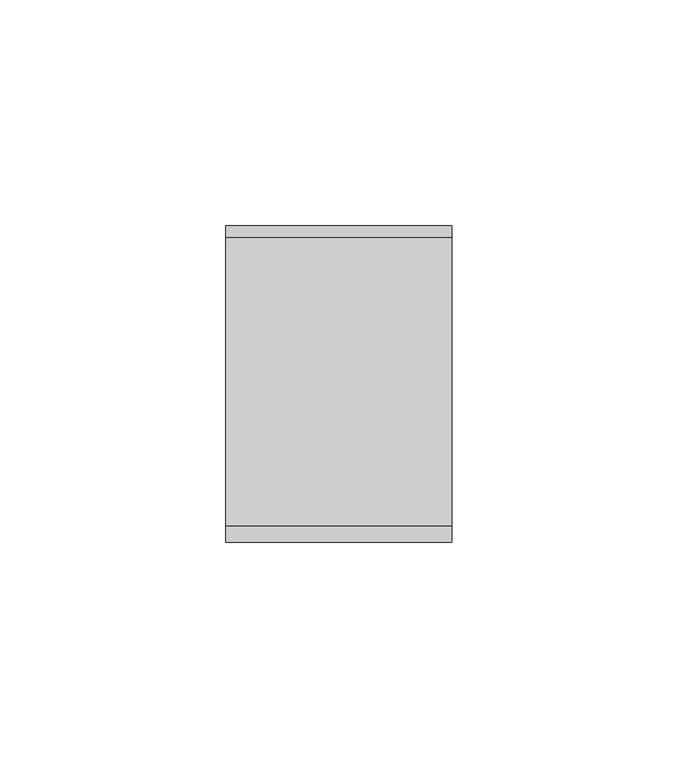
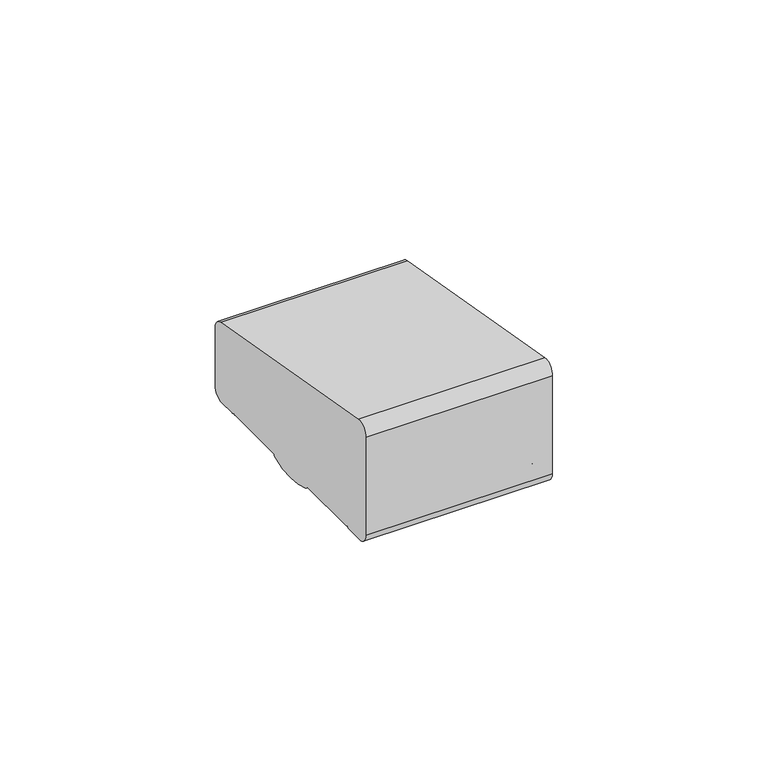
"""IFC4 building model written with IfcOpenShell, lengths in millimetres: railing geometry."""

from ifc_helpers import new_model, si_unit, frame, origin, place, context, project, spatial, circle_curve, source, transform, mapped, element, save
from ifc_brep_helpers import plane_surface, cylinder_surface, advanced_brep


def railing_bd4438b5(model_context):
    return source(origin(), model_context, "Body", "AdvancedBrep", [
        advanced_brep(
        [(3671.3946838, 8389.3630551, 1199.9544233), (3671.3946838, 8385.8421106, 1197.0), (3671.3946838, 8385.8421106, 1169.2), (3671.3946838, 8388.8421106, 1166.2), (3671.3946838, 8393.6920245, 1166.2), (3671.3946838, 8394.5830297, 1166.9730759), (3671.3946838, 8395.1561053, 1166.4000003), (3671.3946838, 8413.2660875, 1166.4000003), (3671.3946838, 8413.8619702, 1165.6106384), (3671.3946838, 8427.8416451, 1165.6114192), (3671.3946838, 8428.4355206, 1166.4000003), (3671.3946838, 8446.5960229, 1166.4000003), (3671.3946838, 8447.0960229, 1166.9000033), (3671.3946838, 8448.0249587, 1166.2), (3671.3946838, 8452.8421106, 1166.2), (3671.3946838, 8455.8421106, 1169.2), (3671.3946838, 8455.8421106, 1185.7150732), (3671.3946838, 8453.3630551, 1188.6694965), (3621.3946838, 8389.3630551, 1199.9544233), (3621.3946838, 8453.3630551, 1188.6694965), (3621.3946838, 8455.8421106, 1185.7150732), (3621.3946838, 8455.8421106, 1169.2), (3621.3946838, 8452.8421106, 1166.2), (3621.3946838, 8448.0249587, 1166.2), (3621.3946838, 8447.0960229, 1166.9000033), (3621.3946838, 8446.5960229, 1166.4000003), (3621.3946838, 8428.4355206, 1166.4000003), (3621.3946838, 8427.8416397, 1165.6114328), (3621.3946838, 8413.8585412, 1165.6114192), (3621.3946838, 8413.2660875, 1166.4000003), (3621.3946838, 8395.1561053, 1166.4000003), (3621.3946838, 8394.5830297, 1166.9730759), (3621.3946838, 8393.6920245, 1166.2), (3621.3946838, 8388.8421106, 1166.2), (3621.3946838, 8385.8421106, 1169.2), (3621.3946838, 8385.8421106, 1197.0)],
        [
            (0, 1, circle_curve(frame((3671.3946838, 8388.8421106, 1197.0), z_axis=(1.0, 0.0, 0.0), x_axis=(0.0, 0.17364817766704857, 0.9848077530121873)), 3.0)),
            (1, 2),
            (2, 3, circle_curve(frame((3671.3946838, 8388.8421106, 1169.2), z_axis=(1.0, 0.0, 0.0), x_axis=(0.0, -1.0, 0.0)), 3.0)),
            (3, 4),
            (4, 5, circle_curve(frame((3671.3946838, 8393.6920245, 1167.1), z_axis=(1.0, 0.0, 0.0), x_axis=(0.0, 0.0, -1.0)), 0.9)),
            (5, 6, circle_curve(frame((3671.3946838, 8395.1561053, 1166.9730759), z_axis=(1.0, 0.0, 0.0), x_axis=(0.0, -1.0, 0.0)), 0.5730756)),
            (6, 7),
            (7, 8, circle_curve(frame((3671.3946838, 8414.2114065, 1166.4940192), z_axis=(1.0, 0.0, 0.0), x_axis=(0.0, -1.0, 0.0)), 0.9499829)),
            (8, 9, circle_curve(frame((3671.3946838, 8420.8500931, 1183.2818957), z_axis=(1.0, 0.0, 0.0), x_axis=(0.0, -1.0, 0.0)), 19.003356)),
            (9, 10, circle_curve(frame((3671.3946838, 8427.4902016, 1166.4940192), z_axis=(1.0, 0.0, 0.0), x_axis=(0.0, 1.0, 0.0)), 0.9499829)),
            (10, 11),
            (11, 12, circle_curve(frame((3671.3946838, 8446.5960229, 1166.9000003), z_axis=(1.0, 0.0, 0.0), x_axis=(0.0, 0.0, -1.0)), 0.5)),
            (12, 13, circle_curve(frame((3671.3946838, 8448.0072204, 1167.1428319), z_axis=(1.0, 0.0, 0.0), x_axis=(0.0, -1.0, 0.0)), 0.9429987)),
            (13, 14),
            (14, 15, circle_curve(frame((3671.3946838, 8452.8421106, 1169.2), z_axis=(1.0, 0.0, 0.0), x_axis=(0.0, 0.0, -1.0)), 3.0)),
            (15, 16),
            (16, 17, circle_curve(frame((3671.3946838, 8452.8421106, 1185.7150732), z_axis=(1.0, 0.0, 0.0), x_axis=(0.0, 1.0, 0.0)), 3.0)),
            (17, 0),
            (18, 19),
            (19, 20, circle_curve(frame((3621.3946838, 8452.8421106, 1185.7150732), z_axis=(-1.0, 0.0, 0.0), x_axis=(0.0, 1.0, 0.0)), 3.0)),
            (20, 21),
            (21, 22, circle_curve(frame((3621.3946838, 8452.8421106, 1169.2), z_axis=(-1.0, 0.0, 0.0), x_axis=(0.0, 0.0, -1.0)), 3.0)),
            (22, 23),
            (23, 24, circle_curve(frame((3621.3946838, 8448.0072204, 1167.1428319), z_axis=(-1.0, 0.0, 0.0), x_axis=(0.0, -1.0, 0.0)), 0.9429987)),
            (24, 25, circle_curve(frame((3621.3946838, 8446.5960229, 1166.9000003), z_axis=(-1.0, 0.0, 0.0), x_axis=(0.0, 0.0, -1.0)), 0.5)),
            (25, 26),
            (26, 27, circle_curve(frame((3621.3946838, 8427.4902016, 1166.4940192), z_axis=(-1.0, 0.0, 0.0), x_axis=(0.0, 1.0, 0.0)), 0.9499829)),
            (27, 28, circle_curve(frame((3621.3946838, 8420.8500931, 1183.2818957), z_axis=(-1.0, 0.0, 0.0), x_axis=(0.0, -1.0, 0.0)), 19.003356)),
            (28, 29, circle_curve(frame((3621.3946838, 8414.2114065, 1166.4940192), z_axis=(-1.0, 0.0, 0.0), x_axis=(0.0, -1.0, 0.0)), 0.9499829)),
            (29, 30),
            (30, 31, circle_curve(frame((3621.3946838, 8395.1561053, 1166.9730759), z_axis=(-1.0, 0.0, 0.0), x_axis=(0.0, -1.0, 0.0)), 0.5730756)),
            (31, 32, circle_curve(frame((3621.3946838, 8393.6920245, 1167.1), z_axis=(-1.0, 0.0, 0.0), x_axis=(0.0, 0.0, -1.0)), 0.9)),
            (32, 33),
            (33, 34, circle_curve(frame((3621.3946838, 8388.8421106, 1169.2), z_axis=(-1.0, 0.0, 0.0), x_axis=(0.0, -1.0, 0.0)), 3.0)),
            (34, 35),
            (35, 18, circle_curve(frame((3621.3946838, 8388.8421106, 1197.0), z_axis=(-1.0, 0.0, 0.0), x_axis=(0.0, 0.17364817766704857, 0.9848077530121873)), 3.0)),
            (0, 18),
            (35, 1),
            (34, 2),
            (33, 3),
            (32, 4),
            (31, 5),
            (30, 6),
            (29, 7),
            (28, 8),
            (27, 9),
            (26, 10),
            (25, 11),
            (24, 12),
            (23, 13),
            (22, 14),
            (21, 15),
            (20, 16),
            (19, 17),
        ],
        [
            plane_surface(frame((3671.3946838, 8420.8508041, 1200.0), z_axis=(1.0, 0.0, 0.0), x_axis=(0.0, 1.0, 0.0))),
            plane_surface(frame((3621.3946838, 8420.8508041, 1200.0), z_axis=(-1.0, 0.0, 0.0), x_axis=(0.0, 1.0, 0.0))),
            cylinder_surface(frame((3671.3946838, 8388.8421106, 1197.0), z_axis=(1.0, 0.0, 0.0), x_axis=(0.0, 0.17364817766704857, 0.9848077530121873)), 3.0),
            plane_surface(frame((3671.3946838, 8385.8421106, 1197.0), z_axis=(0.0, -1.0, 0.0), x_axis=(-1.0, 0.0, 0.0))),
            cylinder_surface(frame((3671.3946838, 8388.8421106, 1169.2), z_axis=(1.0, 0.0, 0.0), x_axis=(0.0, -1.0, 0.0)), 3.0),
            plane_surface(frame((3671.3946838, 8388.8421106, 1166.2), z_axis=(0.0, 0.0, -1.0), x_axis=(-1.0, 0.0, 0.0))),
            cylinder_surface(frame((3671.3946838, 8393.6920245, 1167.1), z_axis=(1.0, 0.0, 0.0), x_axis=(0.0, 0.0, -1.0)), 0.9),
            cylinder_surface(frame((3671.3946838, 8395.1561053, 1166.9730759), z_axis=(1.0, 0.0, 0.0), x_axis=(0.0, -1.0, 0.0)), 0.5730756),
            plane_surface(frame((3671.3946838, 8395.1561053, 1166.4000003), z_axis=(0.0, 0.0, -1.0), x_axis=(-1.0, 0.0, 0.0))),
            cylinder_surface(frame((3671.3946838, 8414.2114065, 1166.4940192), z_axis=(1.0, 0.0, 0.0), x_axis=(0.0, -1.0, 0.0)), 0.9499829),
            cylinder_surface(frame((3671.3946838, 8420.8500931, 1183.2818957), z_axis=(1.0, 0.0, 0.0), x_axis=(0.0, -1.0, 0.0)), 19.003356),
            cylinder_surface(frame((3671.3946838, 8427.4902016, 1166.4940192), z_axis=(1.0, 0.0, 0.0), x_axis=(0.0, 1.0, 0.0)), 0.9499829),
            plane_surface(frame((3671.3946838, 8428.4355206, 1166.4000003), z_axis=(0.0, 0.0, -1.0), x_axis=(-1.0, 0.0, 0.0))),
            cylinder_surface(frame((3671.3946838, 8446.5960229, 1166.9000003), z_axis=(1.0, 0.0, 0.0), x_axis=(0.0, 0.0, -1.0)), 0.5),
            cylinder_surface(frame((3671.3946838, 8448.0072204, 1167.1428319), z_axis=(1.0, 0.0, 0.0), x_axis=(0.0, -1.0, 0.0)), 0.9429987),
            plane_surface(frame((3671.3946838, 8448.0249587, 1166.2), z_axis=(0.0, 0.0, -1.0), x_axis=(-1.0, 0.0, 0.0))),
            cylinder_surface(frame((3671.3946838, 8452.8421106, 1169.2), z_axis=(1.0, 0.0, 0.0), x_axis=(0.0, 0.0, -1.0)), 3.0),
            plane_surface(frame((3671.3946838, 8455.8421106, 1169.2), z_axis=(0.0, 1.0, 0.0), x_axis=(-1.0, 0.0, 0.0))),
            cylinder_surface(frame((3671.3946838, 8452.8421106, 1185.7150732), z_axis=(1.0, 0.0, 0.0), x_axis=(0.0, 1.0, 0.0)), 3.0),
            plane_surface(frame((3671.3946838, 8453.3630551, 1188.6694965), z_axis=(0.0, 0.1736481776669561, 0.9848077530122036), x_axis=(-1.0, 0.0, 0.0))),
        ],
        [
            (0, [[1, 2, 3, 4, 5, 6, 7, 8, 9, 10, 11, 12, 13, 14, 15, 16, 17, 18]]),
            (1, [[19, 20, 21, 22, 23, 24, 25, 26, 27, 28, 29, 30, 31, 32, 33, 34, 35, 36]]),
            (2, [[-1, 37, -36, 38]]),
            (3, [[-2, -38, -35, 39]]),
            (4, [[-3, -39, -34, 40]]),
            (5, [[-4, -40, -33, 41]]),
            (6, [[-5, -41, -32, 42]]),
            (7, [[-6, -42, -31, 43]]),
            (8, [[-7, -43, -30, 44]]),
            (9, [[-8, -44, -29, 45]]),
            (10, [[-9, -45, -28, 46]]),
            (11, [[-10, -46, -27, 47]]),
            (12, [[-11, -47, -26, 48]]),
            (13, [[-12, -48, -25, 49]]),
            (14, [[-13, -49, -24, 50]]),
            (15, [[-14, -50, -23, 51]]),
            (16, [[-15, -51, -22, 52]]),
            (17, [[-16, -52, -21, 53]]),
            (18, [[-17, -53, -20, 54]]),
            (19, [[-18, -54, -19, -37]]),
        ],
    ),
    ])


if __name__ == "__main__":
    model = new_model("IFC4")
    model_context = context("Model", 3, world=origin())
    ifc_project = project(units=[si_unit("LENGTHUNIT", "METRE", prefix="MILLI")], contexts=[model_context])
    site = spatial("IfcSite", under=ifc_project)
    building = spatial("IfcBuilding", under=site)
    placement = place(None, origin())
    railing_shape = railing_bd4438b5(model_context)
    element("IfcRailing", 1, at=placement, inside=building, context=model_context, shape_type="MappedRepresentation", body=[
        mapped(railing_shape, transform((0.0, 0.0, 0.0), x_axis=(1.0, 0.0, 0.0), y_axis=(0.0, 1.0, 0.0), z_axis=(0.0, 0.0, 1.0))),
    ])
    save(model, "model.ifc")
